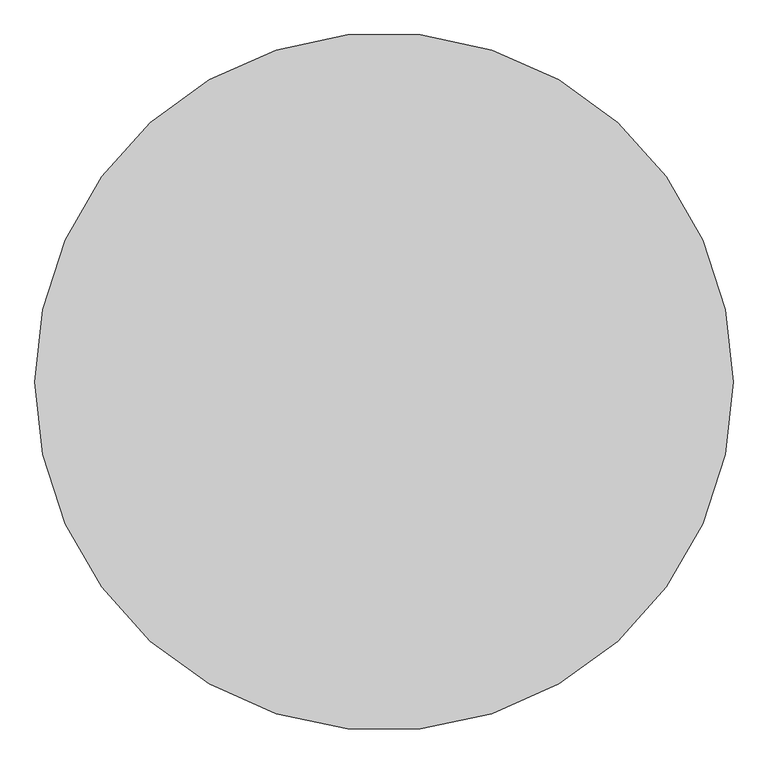
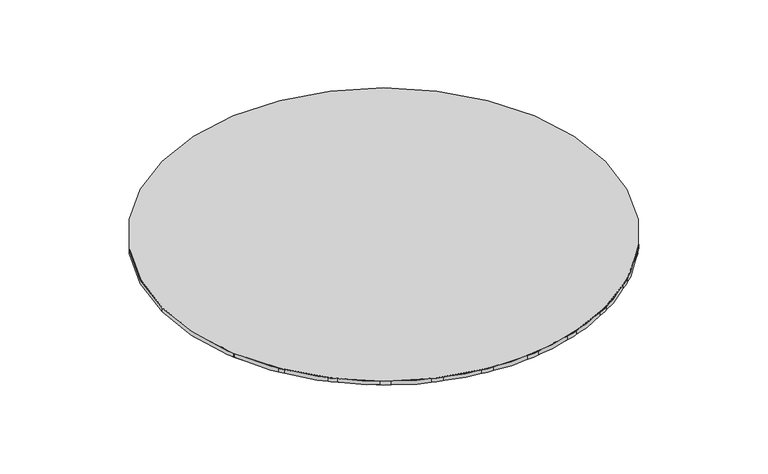
"""IFC4 building model written with IfcOpenShell, lengths in millimetres: proxy geometry."""

from ifc_helpers import new_model, si_unit, point, frame, frame_2d, origin, origin_with_axes, place, context, project, spatial, circle_curve, trimmed, segment, composite_curve, outline, extrude, source, transform, mapped, element, save


def generic_models_832374cb(model_context):
    return source(origin(), model_context, "Body", "SweptSolid", [
        extrude(outline(composite_curve([segment(trimmed(circle_curve(frame_2d((2524.6862823, -18.2983663)), 641.0), [point((1883.6862823, -18.2983663))], [point((3165.6862823, -18.2983663))], False, "CARTESIAN"), True, "CONTINUOUS"), segment(trimmed(circle_curve(frame_2d((2524.6862823, -18.2983663)), 641.0), [point((3165.6862823, -18.2983663))], [point((1883.6862823, -18.2983663))], False, "CARTESIAN"), True, "CONTINUOUS")], self_intersect=False)), frame((0.0, 0.0, 0.1), z_axis=(0.0, 0.0, 1.0), x_axis=(1.0, 0.0, 0.0)), (0.0, 0.0, 1.0), 11.8),
        extrude(outline(composite_curve([segment(trimmed(circle_curve(frame_2d((2524.6862823, -18.2983663)), 640.0), [point((1884.6862823, -18.2983663))], [point((3164.6862823, -18.2983663))], False, "CARTESIAN"), True, "CONTINUOUS"), segment(trimmed(circle_curve(frame_2d((2524.6862823, -18.2983663)), 640.0), [point((3164.6862823, -18.2983663))], [point((1884.6862823, -18.2983663))], False, "CARTESIAN"), True, "CONTINUOUS")], self_intersect=False)), origin_with_axes(), (0.0, 0.0, 1.0), 12.0),
    ])


if __name__ == "__main__":
    model = new_model("IFC4")
    model_context = context("Model", 3, world=origin())
    ifc_project = project(units=[si_unit("LENGTHUNIT", "METRE", prefix="MILLI")], contexts=[model_context])
    site = spatial("IfcSite", under=ifc_project)
    building = spatial("IfcBuilding", under=site)
    placement = place(None, origin())
    generic_models_shape = generic_models_832374cb(model_context)
    element("IfcBuildingElementProxy", 1, Name="Generic Models", at=placement, inside=building, context=model_context, shape_type="MappedRepresentation", body=[
        mapped(generic_models_shape, transform((0.0, 0.0, 0.0), x_axis=(1.0, 0.0, 0.0), y_axis=(0.0, 1.0, 0.0), z_axis=(0.0, 0.0, 1.0))),
    ])
    save(model, "model.ifc")
